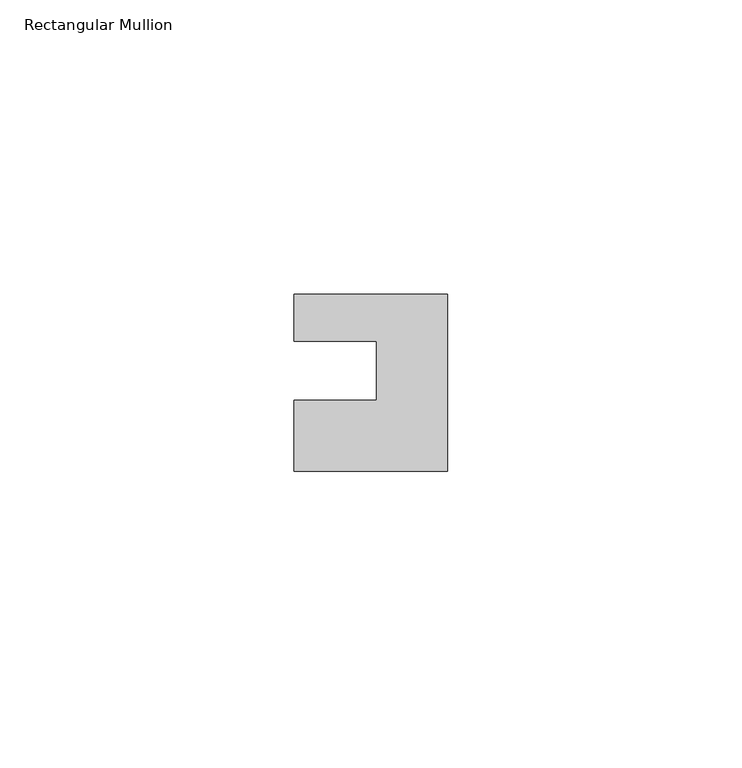
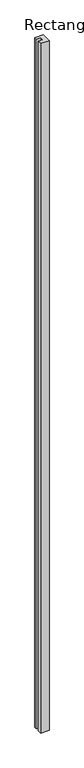
"""IFC4 building model written with IfcOpenShell, lengths in millimetres: member geometry, Rectangular Mullion."""

from ifc_helpers import new_model, si_unit, frame, origin, place, context, project, spatial, polyline, outline, extrude, source, transform, mapped, element, save


def rectangular_mullion_5fab299a(model_context):
    return source(origin(), model_context, "Body", "SweptSolid", [
        extrude(outline(polyline([(-26.0, 0.001), (-26.0, 7.94), (0.0, 7.94), (0.0, -22.06), (-26.0, -22.06), (-26.0, -10.0), (-12.0, -10.0), (-12.0, 0.001), (-26.0, 0.001)])), frame((0.0, 0.0, -2239.0), z_axis=(0.0, 0.0, 1.0), x_axis=(1.0, 0.0, 0.0)), (0.0, 0.0, 1.0), 2239.0),
    ])


if __name__ == "__main__":
    model = new_model("IFC4")
    model_context = context("Model", 3, world=origin())
    ifc_project = project(units=[si_unit("LENGTHUNIT", "METRE", prefix="MILLI")], contexts=[model_context])
    site = spatial("IfcSite", under=ifc_project)
    building = spatial("IfcBuilding", under=site)
    placement = place(None, origin())
    rectangular_mullion_shape = rectangular_mullion_5fab299a(model_context)
    element("IfcMember", 1, ObjectType="Rectangular Mullion", at=placement, inside=building, context=model_context, shape_type="MappedRepresentation", body=[
        mapped(rectangular_mullion_shape, transform((0.0, 0.0, 0.0), x_axis=(1.0, 0.0, 0.0), y_axis=(0.0, 1.0, 0.0), z_axis=(0.0, 0.0, 1.0))),
    ])
    save(model, "model.ifc")
